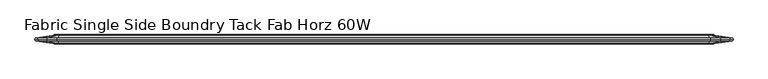
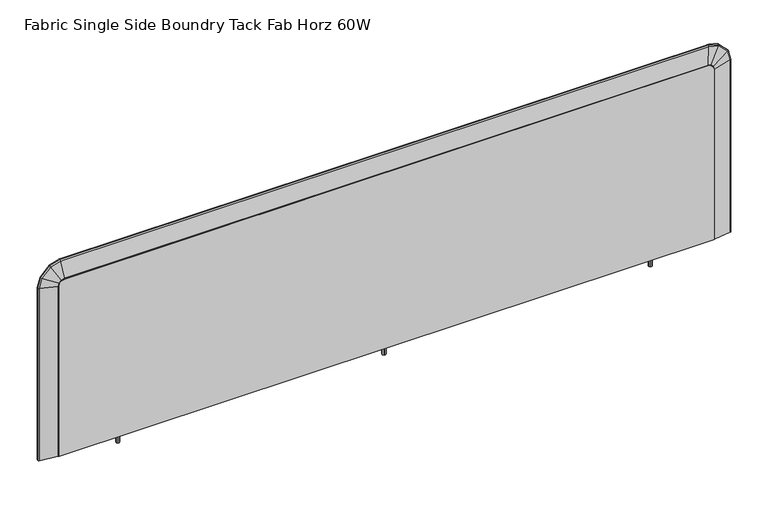
"""IFC4 building model written with IfcOpenShell, lengths in millimetres: furniture geometry, Fabric Single Side Boundry Tack Fab Horz 60W."""

from ifc_helpers import new_model, si_unit, frame, origin, place, context, project, spatial, polyline, circle_curve, ellipse_curve, outline, extrude, faceted_brep, source, transform, mapped, element, save
from ifc_brep_helpers import plane_surface, cylinder_surface, advanced_brep


def fabric_single_side_boundry_tack_fab_horz_60w_494233a1(model_context):
    return source(origin(), model_context, "Body", "SolidModel", [
        faceted_brep([(182.0608047, -24.5352982, 727.3148755), (182.0608047, -38.5848849, 727.3148755), (161.465212, -38.5848849, 727.3148755), (161.465212, -24.5352982, 727.3148755), (161.465212, -24.5352982, 721.056912), (182.0608047, -24.5352982, 721.056912), (161.465212, -38.5848849, 721.056912), (182.0608047, -38.5848849, 721.056912), (41.35374, -21.6312787, 721.056912), (41.35374, -21.6312787, 1111.5510233), (43.0552145, -21.6312787, 1117.9009991), (47.7037408, -21.6312787, 1122.5494799), (54.0537392, -21.6312787, 1124.2509748), (1451.0537158, -21.6312787, 1124.2509748), (1457.4036916, -21.6312787, 1122.5494799), (1462.052245, -21.6312787, 1117.9009991), (1463.75374, -21.6312787, 1111.5510233), (1463.75374, -21.6312787, 721.056912), (41.35374, -41.6655198, 721.056912), (1463.75374, -41.6655198, 721.056912), (1463.75374, -41.6655198, 1111.5510233), (1462.052245, -41.6655198, 1117.9009991), (1457.4036916, -41.6655198, 1122.5494799), (1451.0537158, -41.6655198, 1124.2509748), (54.0537392, -41.6655198, 1124.2509748), (47.7037408, -41.6655198, 1122.5494799), (43.0552145, -41.6655198, 1117.9009991), (41.35374, -41.6655198, 1111.5510233), (1343.4452878, -24.5352982, 721.056912), (1318.0744951, -24.5352982, 721.056912), (1318.0744951, -38.5848849, 721.056912), (1343.4452878, -38.5848849, 721.056912), (1318.0744951, -24.5352982, 727.3148755), (1343.4452878, -24.5352982, 727.3148755), (1343.4452878, -38.5848849, 727.3148755), (1318.0744951, -38.5848849, 727.3148755)], [[[0, 1, 2, 3]], [[0, 3, 4, 5]], [[3, 2, 6, 4]], [[2, 1, 7, 6]], [[1, 0, 5, 7]], [[8, 9, 10, 11, 12, 13, 14, 15, 16, 17]], [[18, 19, 20, 21, 22, 23, 24, 25, 26, 27]], [[9, 8, 18, 27]], [[10, 9, 27, 26]], [[11, 10, 26, 25]], [[12, 11, 25, 24]], [[13, 12, 24, 23]], [[14, 13, 23, 22]], [[15, 14, 22, 21]], [[16, 15, 21, 20]], [[17, 16, 20, 19]], [[8, 17, 19, 18], [5, 4, 6, 7], [28, 29, 30, 31]], [[32, 33, 34, 35]], [[33, 32, 29, 28]], [[34, 33, 28, 31]], [[35, 34, 31, 30]], [[32, 35, 30, 29]]]),
        extrude(outline(polyline([(1329.8115069, -27.7980412), (1332.8230782, -28.1945209), (1334.6722204, -30.6043713), (1334.2757329, -33.6159343), (1331.8658873, -35.4650775), (1328.854316, -35.0685977), (1327.0051738, -32.6587474), (1327.4016613, -29.6471844), (1329.8115069, -27.7980412)]), holes=[polyline([(1329.8826636, -28.0636008), (1327.6397553, -29.7846483), (1327.2707337, -32.5875912), (1328.9917799, -34.8305034), (1331.7947306, -35.1995178), (1334.0376389, -33.4784704), (1334.4066605, -30.6755274), (1332.6856143, -28.4326153), (1329.8826636, -28.0636008)])]), frame((0.0, 0.0, 700.99428), z_axis=(0.0, 0.0, 1.0), x_axis=(1.0, 0.0, 0.0)), (0.0, 0.0, 1.0), 26.3205955),
        extrude(outline(polyline([(173.0545058, -27.7980412), (176.0660771, -28.1945209), (177.9152193, -30.6043713), (177.5187318, -33.6159343), (175.1088862, -35.4650775), (172.0973149, -35.0685977), (170.2481727, -32.6587474), (170.6446602, -29.6471844), (173.0545058, -27.7980412)]), holes=[polyline([(173.1256625, -28.0636008), (170.8827542, -29.7846483), (170.5137326, -32.5875912), (172.2347788, -34.8305034), (175.0377295, -35.1995178), (177.2806378, -33.4784704), (177.6496594, -30.6755274), (175.9286132, -28.4326153), (173.1256625, -28.0636008)])]), frame((0.0, 0.0, 700.99428), z_axis=(0.0, 0.0, 1.0), x_axis=(1.0, 0.0, 0.0)), (0.0, 0.0, 1.0), 26.3205955),
        extrude(outline(polyline([(751.4280597, -27.7980412), (754.439631, -28.1945209), (756.2887732, -30.6043713), (755.8922858, -33.6159343), (753.4824401, -35.4650775), (750.4708689, -35.0685977), (748.6217266, -32.6587474), (749.0182141, -29.6471844), (751.4280597, -27.7980412)]), holes=[polyline([(751.4992164, -28.0636008), (749.2563081, -29.7846483), (748.8872866, -32.5875912), (750.6083327, -34.8305034), (753.4112834, -35.1995178), (755.6541917, -33.4784704), (756.0232133, -30.6755274), (754.3021672, -28.4326153), (751.4992164, -28.0636008)])]), frame((0.0, 0.0, 700.99428), z_axis=(0.0, 0.0, 1.0), x_axis=(1.0, 0.0, 0.0)), (0.0, 0.0, 1.0), 26.3205955),
        advanced_brep(
        [(41.35374, -40.3955198, 720.263162), (40.527722, -40.3955198, 720.263162), (39.2303702, -40.3003466, 720.263162), (2.1950955, -34.8371601, 720.263162), (0.2344281, -32.1683735, 720.263162), (1.4359994, -31.9712076, 720.263162), (0.2308623, -31.6483991, 720.263162), (2.1917528, -29.0070421, 720.263162), (39.1963882, -23.5483754, 720.263162), (40.4937399, -23.4532022, 720.263162), (41.35374, -23.4532022, 720.263162), (1463.75374, -40.3955198, 720.263162), (1463.75374, -23.4532022, 720.263162), (1464.6137401, -23.4532022, 720.263162), (1465.9110918, -23.5483754, 720.263162), (1502.9157272, -29.0070421, 720.263162), (1504.8766177, -31.6483991, 720.263162), (1503.6714806, -31.9712076, 720.263162), (1504.8730519, -32.1683735, 720.263162), (1502.9123845, -34.8371601, 720.263162), (1465.8771098, -40.3003466, 720.263162), (1464.579758, -40.3955198, 720.263162), (1463.75374, -40.3955198, 1110.7572733), (1463.75374, -23.4532022, 1110.7572733), (1462.052245, -23.4532022, 1117.1072491), (1457.4036916, -23.4532022, 1121.7557299), (1451.0537158, -23.4532022, 1123.4572248), (54.0537392, -23.4532022, 1123.4572248), (47.7037408, -23.4532022, 1121.7557299), (43.0552145, -23.4532022, 1117.1072491), (41.35374, -23.4532022, 1110.7572733), (40.4937399, -23.4532022, 1110.8704947), (42.2841603, -23.4532022, 1117.5524202), (47.2585733, -23.4532022, 1122.5267846), (53.9405169, -23.4532022, 1124.3172249), (1451.1669385, -23.4532022, 1124.3172249), (1457.848858, -23.4532022, 1122.5267846), (1462.8232979, -23.4532022, 1117.5524225), (1464.6137401, -23.4532022, 1110.870496), (1465.9110918, -23.5483754, 1111.0412979), (1502.9157272, -29.0070421, 1115.9131172), (1504.8766177, -31.6483991, 1116.1712769), (1503.6714806, -31.9712076, 1116.0126154), (1504.8730519, -32.1683735, 1116.1708075), (1502.9123845, -34.8371601, 1115.9126772), (1465.8771098, -40.3003466, 1111.036824), (1464.579758, -40.3955198, 1110.8660221), (1462.7928305, -40.3955198, 1117.5348319), (1457.8312677, -40.3955198, 1122.4963171), (1451.1624646, -40.3955198, 1124.2832429), (53.9449908, -40.3955198, 1124.2832429), (47.2761636, -40.3955198, 1122.4963171), (42.3146278, -40.3955198, 1117.5348297), (40.527722, -40.3955198, 1110.8660209), (41.35374, -40.3955198, 1110.7572733), (43.0552145, -40.3955198, 1117.1072491), (47.7037408, -40.3955198, 1121.7557299), (54.0537392, -40.3955198, 1123.4572248), (1451.0537158, -40.3955198, 1123.4572248), (1457.4036916, -40.3955198, 1121.7557299), (1462.052245, -40.3955198, 1117.1072491), (1463.9864685, -23.5483754, 1118.2239882), (1497.1638272, -29.0070421, 1137.3791963), (1498.9219087, -31.6483991, 1138.3942385), (1497.8414153, -31.9712076, 1137.7704072), (1498.9187118, -32.1683735, 1138.3923927), (1497.1608302, -34.8371601, 1137.377466), (1463.9560011, -40.3003466, 1118.2063976), (1458.5204132, -23.5483754, 1123.689958), (1477.6753219, -29.0070421, 1156.8673969), (1478.6903482, -31.6483991, 1158.6254827), (1478.0665266, -31.9712076, 1157.5449867), (1478.6885024, -32.1683735, 1158.6222858), (1477.6735916, -34.8371601, 1156.8643999), (1458.5028229, -40.3003466, 1123.6594906), (1451.3377404, -23.5483754, 1125.6145767), (1456.2095597, -29.0070421, 1162.619212), (1456.4677194, -31.6483991, 1164.5801025), (1456.3090579, -31.9712076, 1163.3749655), (1456.46725, -32.1683735, 1164.5765368), (1456.2091197, -34.8371601, 1162.6158693), (1451.3332665, -40.3003466, 1125.5805946), (53.7697156, -23.5483754, 1125.6145767), (48.8979131, -29.0070421, 1162.619212), (48.6397543, -31.6483991, 1164.5801025), (48.7984152, -31.9712076, 1163.3749655), (48.6402238, -32.1683735, 1164.5765368), (48.8983532, -34.8371601, 1162.6158693), (53.7741895, -40.3003466, 1125.5805946), (46.5870166, -23.5483754, 1123.6899579), (27.4320643, -29.0070421, 1156.8673943), (26.4170356, -31.6483991, 1158.62548), (27.0408586, -31.9712076, 1157.544984), (26.4188814, -32.1683735, 1158.622283), (27.4337946, -34.8371601, 1156.8643973), (46.6046069, -40.3003466, 1123.6594904), (41.1209877, -23.5483754, 1118.2239824), (7.9435719, -29.0070421, 1137.3790923), (6.1854873, -31.6483991, 1138.3941293), (7.2659826, -31.9712076, 1137.7703012), (6.1886843, -32.1683735, 1138.3922835), (7.9465689, -34.8371601, 1137.377362), (41.1514552, -40.3003466, 1118.2063919), (39.1963882, -23.5483754, 1111.0412946), (2.1917528, -29.0070421, 1115.9130574), (0.2308623, -31.6483991, 1116.1712141), (1.4359994, -31.9712076, 1116.0125545), (0.2344281, -32.1683735, 1116.1707447), (2.1950955, -34.8371601, 1115.9126174), (39.2303702, -40.3003466, 1111.0368208)],
        [
            (0, 1),
            (1, 2, circle_curve(frame((40.527722, -31.5055198, 720.263162), z_axis=(0.0, 0.0, -1.0), x_axis=(1.0, 0.0, 0.0)), 8.89)),
            (2, 3),
            (3, 4, circle_curve(frame((2.5350157, -32.5328209, 720.263162), z_axis=(0.0, 0.0, -1.0), x_axis=(1.0, 0.0, 0.0)), 2.3292757)),
            (4, 5),
            (5, 6),
            (6, 7, circle_curve(frame((2.5311018, -31.3075093, 720.263162), z_axis=(0.0, 0.0, -1.0), x_axis=(1.0, 0.0, 0.0)), 2.3253618)),
            (7, 8),
            (8, 9, circle_curve(frame((40.4937399, -32.3432022, 720.263162), z_axis=(0.0, 0.0, -1.0), x_axis=(1.0, 0.0, 0.0)), 8.89)),
            (9, 10),
            (10, 0),
            (11, 12),
            (12, 13),
            (13, 14, circle_curve(frame((1464.6137401, -32.3432022, 720.263162), z_axis=(0.0, 0.0, -1.0), x_axis=(-1.0, 0.0, 0.0)), 8.89)),
            (14, 15),
            (15, 16, circle_curve(frame((1502.5763782, -31.3075093, 720.263162), z_axis=(0.0, 0.0, -1.0), x_axis=(-1.0, 0.0, 0.0)), 2.3253618)),
            (16, 17),
            (17, 18),
            (18, 19, circle_curve(frame((1502.5724643, -32.5328209, 720.263162), z_axis=(0.0, 0.0, -1.0), x_axis=(-1.0, 0.0, 0.0)), 2.3292757)),
            (19, 20),
            (20, 21, circle_curve(frame((1464.579758, -31.5055198, 720.263162), z_axis=(0.0, 0.0, -1.0), x_axis=(-1.0, 0.0, 0.0)), 8.89)),
            (21, 11),
            (11, 22),
            (22, 23),
            (23, 12),
            (23, 24),
            (24, 25),
            (25, 26),
            (26, 27),
            (27, 28),
            (28, 29),
            (29, 30),
            (30, 10),
            (9, 31),
            (31, 32),
            (32, 33),
            (33, 34),
            (34, 35),
            (35, 36),
            (36, 37),
            (37, 38),
            (38, 13),
            (38, 39, ellipse_curve(frame((1464.6137401, -32.3432022, 1110.870496), z_axis=(0.1305279474874437, 0.0, -0.9914446302868937), x_axis=(-0.9914446302868937, 0.0, -0.13052794748744298)), 8.9667135, 8.89)),
            (39, 14),
            (39, 40),
            (40, 15),
            (40, 41, ellipse_curve(frame((1502.5763782, -31.3075093, 1115.8684405), z_axis=(0.1305279474874437, 0.0, -0.9914446302868937), x_axis=(-0.9914446302868937, 0.0, -0.13052794748744298)), 2.3454278, 2.3253618)),
            (41, 16),
            (41, 42),
            (42, 17),
            (42, 43),
            (43, 18),
            (43, 44, ellipse_curve(frame((1502.5724643, -32.5328209, 1115.8679252), z_axis=(0.1305279474874437, 0.0, -0.9914446302868937), x_axis=(-0.9914446302868937, 0.0, -0.13052794748744298)), 2.3493754, 2.3292757)),
            (44, 19),
            (44, 45),
            (45, 20),
            (45, 46, ellipse_curve(frame((1464.579758, -31.5055198, 1110.8660221), z_axis=(0.1305279474874437, 0.0, -0.9914446302868937), x_axis=(-0.9914446302868937, 0.0, -0.13052794748744298)), 8.9667135, 8.89)),
            (46, 21),
            (46, 47),
            (47, 48),
            (48, 49),
            (49, 50),
            (50, 51),
            (51, 52),
            (52, 53),
            (53, 1),
            (0, 54),
            (54, 55),
            (55, 56),
            (56, 57),
            (57, 58),
            (58, 59),
            (59, 60),
            (60, 22),
            (60, 24),
            (37, 61, ellipse_curve(frame((1462.8232979, -32.3432022, 1117.5524225), z_axis=(0.5000049178456961, 0.0, -0.8660225644462844), x_axis=(-0.8660225644462847, 0.0, -0.5000049178456953)), 9.2036105, 8.89)),
            (61, 39),
            (61, 62),
            (62, 40),
            (62, 63, ellipse_curve(frame((1496.859576, -31.3075093, 1137.2035345), z_axis=(0.5000049178456961, 0.0, -0.8660225644462844), x_axis=(-0.8660225644462847, 0.0, -0.5000049178456953)), 2.407393, 2.3253618)),
            (63, 41),
            (63, 64),
            (64, 42),
            (64, 65),
            (65, 43),
            (65, 66, ellipse_curve(frame((1496.856067, -32.5328209, 1137.2015086), z_axis=(0.5000049178456961, 0.0, -0.8660225644462844), x_axis=(-0.8660225644462847, 0.0, -0.5000049178456953)), 2.411445, 2.3292757)),
            (66, 44),
            (66, 67),
            (67, 45),
            (67, 47, ellipse_curve(frame((1462.7928305, -31.5055198, 1117.5348319), z_axis=(0.5000049178456961, 0.0, -0.8660225644462844), x_axis=(-0.8660225644462847, 0.0, -0.5000049178456953)), 9.2036105, 8.89)),
            (59, 25),
            (36, 68, ellipse_curve(frame((1457.848858, -32.3432022, 1122.5267846), z_axis=(0.8660264726880769, 0.0, -0.4999981486000199), x_axis=(-0.49999814860001957, 0.0, -0.8660264726880771)), 9.2035912, 8.89)),
            (68, 61),
            (68, 69),
            (69, 62),
            (69, 70, ellipse_curve(frame((1477.4996629, -31.3075093, 1156.5631451), z_axis=(0.8660264726880769, 0.0, -0.4999981486000199), x_axis=(-0.49999814860001957, 0.0, -0.8660264726880771)), 2.407388, 2.3253618)),
            (70, 63),
            (70, 71),
            (71, 64),
            (71, 72),
            (72, 65),
            (72, 73, ellipse_curve(frame((1477.4976369, -32.5328209, 1156.559636), z_axis=(0.8660264726880769, 0.0, -0.4999981486000199), x_axis=(-0.49999814860001957, 0.0, -0.8660264726880771)), 2.4114399, 2.3292757)),
            (73, 66),
            (73, 74),
            (74, 67),
            (74, 48, ellipse_curve(frame((1457.8312677, -31.5055198, 1122.4963171), z_axis=(0.8660264726880769, 0.0, -0.4999981486000199), x_axis=(-0.49999814860001957, 0.0, -0.8660264726880771)), 9.2035912, 8.89)),
            (58, 26),
            (35, 75, ellipse_curve(frame((1451.1669385, -32.3432022, 1124.3172249), z_axis=(0.9914446302856296, 0.0, -0.1305279474970452), x_axis=(-0.13052794749704538, 0.0, -0.9914446302856295)), 8.9667135, 8.89)),
            (75, 68),
            (75, 76),
            (76, 69),
            (76, 77, ellipse_curve(frame((1456.164883, -31.3075093, 1162.2798631), z_axis=(0.9914446302856296, 0.0, -0.1305279474970452), x_axis=(-0.13052794749704538, 0.0, -0.9914446302856295)), 2.3454278, 2.3253618)),
            (77, 70),
            (77, 78),
            (78, 71),
            (78, 79),
            (79, 72),
            (79, 80, ellipse_curve(frame((1456.1643677, -32.5328209, 1162.2759492), z_axis=(0.9914446302856296, 0.0, -0.1305279474970452), x_axis=(-0.13052794749704538, 0.0, -0.9914446302856295)), 2.3493754, 2.3292757)),
            (80, 73),
            (80, 81),
            (81, 74),
            (81, 49, ellipse_curve(frame((1451.1624646, -31.5055198, 1124.2832429), z_axis=(0.9914446302856296, 0.0, -0.1305279474970452), x_axis=(-0.13052794749704538, 0.0, -0.9914446302856295)), 8.9667135, 8.89)),
            (57, 27),
            (34, 82, ellipse_curve(frame((53.9405169, -32.3432022, 1124.3172249), z_axis=(0.9914446886366662, 0.0, 0.13052750428221627), x_axis=(0.13052750428221643, 0.0, -0.9914446886366662)), 8.966713, 8.89)),
            (82, 75),
            (82, 83),
            (83, 76),
            (83, 84, ellipse_curve(frame((48.9425897, -31.3075093, 1162.2798631), z_axis=(0.9914446886366662, 0.0, 0.13052750428221627), x_axis=(0.13052750428221643, 0.0, -0.9914446886366662)), 2.3454276, 2.3253618)),
            (84, 77),
            (84, 85),
            (85, 78),
            (85, 86),
            (86, 79),
            (86, 87, ellipse_curve(frame((48.943105, -32.5328209, 1162.2759492), z_axis=(0.9914446886366662, 0.0, 0.13052750428221627), x_axis=(0.13052750428221643, 0.0, -0.9914446886366662)), 2.3493753, 2.3292757)),
            (87, 80),
            (87, 88),
            (88, 81),
            (88, 50, ellipse_curve(frame((53.9449908, -31.5055198, 1124.2832429), z_axis=(0.9914446886366662, 0.0, 0.13052750428221627), x_axis=(0.13052750428221643, 0.0, -0.9914446886366662)), 8.966713, 8.89)),
            (56, 28),
            (33, 89, ellipse_curve(frame((47.2585733, -32.3432022, 1122.5267846), z_axis=(0.8660259634188125, 0.0, 0.49999903068357804), x_axis=(0.49999903068357804, 0.0, -0.8660259634188127)), 9.203596, 8.89)),
            (89, 82),
            (89, 90),
            (90, 83),
            (90, 91, ellipse_curve(frame((27.6077237, -31.3075093, 1156.5631424), z_axis=(0.8660259634188125, 0.0, 0.49999903068357804), x_axis=(0.49999903068357804, 0.0, -0.8660259634188127)), 2.4073892, 2.3253618)),
            (91, 84),
            (91, 92),
            (92, 85),
            (92, 93),
            (93, 86),
            (93, 94, ellipse_curve(frame((27.6097497, -32.5328209, 1156.5596333), z_axis=(0.8660259634188125, 0.0, 0.49999903068357804), x_axis=(0.49999903068357804, 0.0, -0.8660259634188127)), 2.4114412, 2.3292757)),
            (94, 87),
            (94, 95),
            (95, 88),
            (95, 51, ellipse_curve(frame((47.2761636, -31.5055198, 1122.4963171), z_axis=(0.8660259634188125, 0.0, 0.49999903068357804), x_axis=(0.49999903068357804, 0.0, -0.8660259634188127)), 9.203596, 8.89)),
            (55, 29),
            (32, 96, ellipse_curve(frame((42.2841603, -32.3432022, 1117.5524202), z_axis=(0.5000023482671837, 0.0, 0.8660240480075031), x_axis=(0.8660240480075027, 0.0, -0.5000023482671845)), 9.2036106, 8.89)),
            (96, 89),
            (96, 97),
            (97, 90),
            (97, 98, ellipse_curve(frame((8.2478236, -31.3075093, 1137.2034315), z_axis=(0.5000023482671837, 0.0, 0.8660240480075031), x_axis=(0.8660240480075027, 0.0, -0.5000023482671845)), 2.4073931, 2.3253618)),
            (98, 91),
            (98, 99),
            (99, 92),
            (99, 100),
            (100, 93),
            (100, 101, ellipse_curve(frame((8.2513326, -32.5328209, 1137.2014055), z_axis=(0.5000023482671837, 0.0, 0.8660240480075031), x_axis=(0.8660240480075027, 0.0, -0.5000023482671845)), 2.411445, 2.3292757)),
            (101, 94),
            (101, 102),
            (102, 95),
            (102, 52, ellipse_curve(frame((42.3146278, -31.5055198, 1117.5348297), z_axis=(0.5000023482671837, 0.0, 0.8660240480075031), x_axis=(0.8660240480075027, 0.0, -0.5000023482671845)), 9.2036106, 8.89)),
            (54, 30),
            (31, 103, ellipse_curve(frame((40.4937399, -32.3432022, 1110.8704947), z_axis=(0.13052645881328268, 0.0, 0.9914448262761093), x_axis=(0.9914448262761093, 0.0, -0.13052645881328304)), 8.9667118, 8.89)),
            (103, 96),
            (103, 104),
            (104, 97),
            (104, 105, ellipse_curve(frame((2.5311018, -31.3075093, 1115.8683812), z_axis=(0.13052645881328268, 0.0, 0.9914448262761093), x_axis=(0.9914448262761093, 0.0, -0.13052645881328304)), 2.3454273, 2.3253618)),
            (105, 98),
            (105, 106),
            (106, 99),
            (106, 107),
            (107, 100),
            (107, 108, ellipse_curve(frame((2.5350157, -32.5328209, 1115.8678659), z_axis=(0.13052645881328268, 0.0, 0.9914448262761093), x_axis=(0.9914448262761093, 0.0, -0.13052645881328304)), 2.349375, 2.3292757)),
            (108, 101),
            (108, 109),
            (109, 102),
            (109, 53, ellipse_curve(frame((40.527722, -31.5055198, 1110.8660209), z_axis=(0.13052645881328268, 0.0, 0.9914448262761093), x_axis=(0.9914448262761093, 0.0, -0.13052645881328304)), 8.9667118, 8.89)),
            (8, 103),
            (7, 104),
            (6, 105),
            (5, 106),
            (4, 107),
            (3, 108),
            (2, 109),
        ],
        [
            plane_surface(frame((41.35374, -22.3842497, 720.263162), z_axis=(0.0, 0.0, -1.0), x_axis=(0.0, -1.0, 0.0))),
            plane_surface(frame((1463.75374, -22.3842497, 720.263162), z_axis=(0.0, 0.0, -1.0), x_axis=(0.0, -1.0, 0.0))),
            plane_surface(frame((1463.75374, -40.3955198, 720.263162), z_axis=(-1.0, 0.0, 0.0), x_axis=(0.0, 0.0, 1.0))),
            plane_surface(frame((1463.75374, -23.4532022, 720.263162), z_axis=(0.0, 1.0, 0.0), x_axis=(0.0, 0.0, 1.0))),
            cylinder_surface(frame((1464.6137401, -32.3432022, 720.263162), z_axis=(0.0, 0.0, -1.0), x_axis=(-1.0, 0.0, 0.0)), 8.89),
            plane_surface(frame((1465.9110918, -23.5483754, 720.263162), z_axis=(0.14593382959754853, 0.989294353253365, 0.0), x_axis=(0.0, 0.0, 1.0))),
            cylinder_surface(frame((1502.5763782, -31.3075093, 720.263162), z_axis=(0.0, 0.0, -1.0), x_axis=(-1.0, 0.0, 0.0)), 2.3253618),
            plane_surface(frame((1504.8766177, -31.6483991, 720.263162), z_axis=(0.2587390196457306, -0.9659472654926698, 0.0), x_axis=(0.0, 0.0, 1.0))),
            plane_surface(frame((1503.6714806, -31.9712076, 720.263162), z_axis=(0.1619245654582498, 0.9868031389801905, 0.0), x_axis=(0.0, 0.0, 1.0))),
            cylinder_surface(frame((1502.5724643, -32.5328209, 720.263162), z_axis=(0.0, 0.0, -1.0), x_axis=(-1.0, 0.0, 0.0)), 2.3292757),
            plane_surface(frame((1502.9123845, -34.8371601, 720.263162), z_axis=(0.14593382959753973, -0.9892943532533662, 0.0), x_axis=(0.0, 0.0, 1.0))),
            cylinder_surface(frame((1464.579758, -31.5055198, 720.263162), z_axis=(0.0, 0.0, -1.0), x_axis=(-1.0, 0.0, 0.0)), 8.89),
            plane_surface(frame((1464.579758, -40.3955198, 720.263162), z_axis=(0.0, -1.0, 0.0), x_axis=(0.0, 0.0, 1.0))),
            plane_surface(frame((1463.75374, -40.3955198, 1110.7572733), z_axis=(-0.9659249098494304, 0.0, -0.2588224652775913), x_axis=(-0.2588224652775913, 0.0, 0.9659249098494304))),
            cylinder_surface(frame((1464.5844355, -32.3432022, 1110.9798606), z_axis=(0.25882246527759134, 0.0, -0.9659249098494304), x_axis=(-0.9659249098494304, 0.0, -0.25882246527759134)), 8.89),
            plane_surface(frame((1465.9110918, -23.5483754, 1111.0412979), z_axis=(0.14096112119799525, 0.989294353253365, 0.03777095354383497), x_axis=(-0.2588224652775663, 0.0, 0.965924909849437))),
            cylinder_surface(frame((1501.2534933, -31.3075093, 1120.8054442), z_axis=(0.25882246527759134, 0.0, -0.9659249098494304), x_axis=(-0.9659249098494304, 0.0, -0.25882246527759134)), 2.3253618),
            plane_surface(frame((1504.8766177, -31.6483991, 1116.1712769), z_axis=(0.24992246422583178, -0.9659472654926701, 0.06696747092821555), x_axis=(-0.25882246527759867, 0.0, 0.9659249098494284))),
            plane_surface(frame((1503.6714806, -31.9712076, 1116.0126154), z_axis=(0.1564069712926683, 0.9868031389801903, 0.04190971522090765), x_axis=(-0.2588224652775864, 0.0, 0.9659249098494317))),
            cylinder_surface(frame((1501.2497128, -32.5328209, 1120.8044312), z_axis=(0.25882246527759134, 0.0, -0.9659249098494304), x_axis=(-0.9659249098494304, 0.0, -0.25882246527759134)), 2.3292757),
            plane_surface(frame((1502.9123845, -34.8371601, 1115.9126772), z_axis=(0.14096112119798532, -0.9892943532533665, 0.03777095354383505), x_axis=(-0.2588224652776013, 0.0, 0.9659249098494277))),
            cylinder_surface(frame((1464.5516114, -31.5055198, 1110.9710653), z_axis=(0.25882246527759134, 0.0, -0.9659249098494304), x_axis=(-0.9659249098494304, 0.0, -0.25882246527759134)), 8.89),
            plane_surface(frame((1462.052245, -40.3955198, 1117.1072491), z_axis=(-0.707101254086499, 0.0, -0.7071123082433939), x_axis=(-0.7071123082433939, 0.0, 0.707101254086499))),
            cylinder_surface(frame((1462.6603522, -32.3432022, 1117.7153657), z_axis=(0.7071123082433939, 0.0, -0.707101254086499), x_axis=(-0.707101254086499, 0.0, -0.7071123082433939)), 8.89),
            plane_surface(frame((1463.9864685, -23.5483754, 1118.2239882), z_axis=(0.10318999392206839, 0.9892943532533649, 0.1031916070975258), x_axis=(-0.7071123082434186, 0.0, 0.7071012540864742))),
            cylinder_surface(frame((1489.5037812, -31.3075093, 1144.5592144), z_axis=(0.7071123082433939, 0.0, -0.707101254086499), x_axis=(-0.707101254086499, 0.0, -0.7071123082433939)), 2.3253618),
            plane_surface(frame((1498.9219087, -31.6483991, 1138.3942385), z_axis=(0.1829546852726068, -0.96594726549267, 0.1829575454143244), x_axis=(-0.7071123082433954, 0.0, 0.7071012540864974))),
            plane_surface(frame((1497.8414153, -31.9712076, 1137.7704072), z_axis=(0.11449706330293936, 0.9868031389801903, 0.11449885324249356), x_axis=(-0.7071123082433963, 0.0, 0.7071012540864965))),
            cylinder_surface(frame((1489.5010137, -32.5328209, 1144.5564468), z_axis=(0.7071123082433939, 0.0, -0.707101254086499), x_axis=(-0.707101254086499, 0.0, -0.7071123082433939)), 2.3292757),
            plane_surface(frame((1497.1608302, -34.8371601, 1137.377466), z_axis=(0.10318999392206524, -0.9892943532533665, 0.10319160709751343), x_axis=(-0.7071123082433982, 0.0, 0.7071012540864946))),
            cylinder_surface(frame((1462.6363234, -31.5055198, 1117.6913366), z_axis=(0.7071123082433939, 0.0, -0.707101254086499), x_axis=(-0.707101254086499, 0.0, -0.7071123082433939)), 8.89),
            plane_surface(frame((1457.4036916, -40.3955198, 1121.7557299), z_axis=(-0.2588224652963092, 0.0, -0.9659249098444148), x_axis=(-0.9659249098444148, 0.0, 0.2588224652963092))),
            cylinder_surface(frame((1457.6262789, -32.3432022, 1122.5864254), z_axis=(0.9659249098444174, 0.0, -0.2588224652963002), x_axis=(-0.2588224652963002, 0.0, -0.9659249098444174)), 8.89),
            plane_surface(frame((1458.5204132, -23.5483754, 1123.689958), z_axis=(0.03777095354656809, 0.9892943532533648, 0.14096112119726395), x_axis=(-0.9659249098444171, 0.0, 0.25882246529630043))),
            cylinder_surface(frame((1467.4518625, -31.3075093, 1159.2554832), z_axis=(0.9659249098444174, 0.0, -0.2588224652963002), x_axis=(-0.2588224652963002, 0.0, -0.9659249098444174)), 2.3253618),
            plane_surface(frame((1478.6903482, -31.6483991, 1158.6254827), z_axis=(0.06696747093305606, -0.9659472654926703, 0.2499224642245338), x_axis=(-0.9659249098444167, 0.0, 0.2588224652963024))),
            plane_surface(frame((1478.0665266, -31.9712076, 1157.5449867), z_axis=(0.04190971522393755, 0.9868031389801902, 0.15640697129185754), x_axis=(-0.9659249098444158, 0.0, 0.2588224652963053))),
            cylinder_surface(frame((1467.4508495, -32.5328209, 1159.2517027), z_axis=(0.9659249098444174, 0.0, -0.2588224652963002), x_axis=(-0.2588224652963002, 0.0, -0.9659249098444174)), 2.3292757),
            plane_surface(frame((1477.6735916, -34.8371601, 1156.8643999), z_axis=(0.03777095354656481, -0.9892943532533666, 0.14096112119725285), x_axis=(-0.9659249098444177, 0.0, 0.25882246529629854))),
            cylinder_surface(frame((1457.6174836, -31.5055198, 1122.5536012), z_axis=(0.9659249098444174, 0.0, -0.2588224652963002), x_axis=(-0.2588224652963002, 0.0, -0.9659249098444174)), 8.89),
            plane_surface(frame((1451.0537158, -40.3955198, 1123.4572248), z_axis=(0.0, 0.0, -1.0), x_axis=(-1.0, 0.0, 0.0))),
            cylinder_surface(frame((1451.0537158, -32.3432022, 1124.3172249), z_axis=(1.0, 0.0, 0.0), x_axis=(0.0, 0.0, -1.0)), 8.89),
            plane_surface(frame((1451.3377404, -23.5483754, 1125.6145767), z_axis=(0.0, 0.9892943532533648, 0.1459338295975499), x_axis=(-1.0, 0.0, 0.0))),
            cylinder_surface(frame((1451.0537158, -31.3075093, 1162.2798631), z_axis=(1.0, 0.0, 0.0), x_axis=(0.0, 0.0, -1.0)), 2.3253618),
            plane_surface(frame((1456.4677194, -31.6483991, 1164.5801025), z_axis=(0.0, -0.9659472654926702, 0.25873901964572915), x_axis=(-1.0, 0.0, 0.0))),
            plane_surface(frame((1456.3090579, -31.9712076, 1163.3749655), z_axis=(0.0, 0.9868031389801902, 0.16192456545825118), x_axis=(-1.0, 0.0, 0.0))),
            cylinder_surface(frame((1451.0537158, -32.5328209, 1162.2759492), z_axis=(1.0, 0.0, 0.0), x_axis=(0.0, 0.0, -1.0)), 2.3292757),
            plane_surface(frame((1456.2091197, -34.8371601, 1162.6158693), z_axis=(0.0, -0.9892943532533665, 0.14593382959753828), x_axis=(-1.0, 0.0, 0.0))),
            cylinder_surface(frame((1451.0537158, -31.5055198, 1124.2832429), z_axis=(1.0, 0.0, 0.0), x_axis=(0.0, 0.0, -1.0)), 8.89),
            plane_surface(frame((54.0537392, -40.3955198, 1123.4572248), z_axis=(0.2588216016832134, 0.0, -0.9659251412517101), x_axis=(-0.9659251412517101, 0.0, -0.2588216016832134))),
            cylinder_surface(frame((53.8311526, -32.3432022, 1124.2879206), z_axis=(0.9659251412517121, 0.0, 0.2588216016832059), x_axis=(0.2588216016832059, 0.0, -0.9659251412517121)), 8.89),
            plane_surface(frame((53.7697156, -23.5483754, 1125.6145767), z_axis=(-0.037770827516201026, 0.9892943532533648, 0.14096115496741693), x_axis=(-0.9659251412517137, 0.0, -0.25882160168319984))),
            cylinder_surface(frame((44.0056018, -31.3075093, 1160.9569872), z_axis=(0.9659251412517121, 0.0, 0.2588216016832059), x_axis=(0.2588216016832059, 0.0, -0.9659251412517121)), 2.3253618),
            plane_surface(frame((48.6397543, -31.6483991, 1164.5801025), z_axis=(-0.06696724748265018, -0.9659472654926702, 0.24992252409863033), x_axis=(-0.9659251412517119, 0.0, -0.2588216016832063))),
            plane_surface(frame((48.7984152, -31.9712076, 1163.3749655), z_axis=(-0.0419095753837623, 0.9868031389801903, 0.1564070087623832), x_axis=(-0.9659251412517111, 0.0, -0.2588216016832097))),
            cylinder_surface(frame((44.0066148, -32.5328209, 1160.9532066), z_axis=(0.9659251412517121, 0.0, 0.2588216016832059), x_axis=(0.2588216016832059, 0.0, -0.9659251412517121)), 2.3292757),
            plane_surface(frame((48.8983532, -34.8371601, 1162.6158693), z_axis=(-0.03777082751619946, -0.9892943532533666, 0.14096115496740527), x_axis=(-0.9659251412517111, 0.0, -0.2588216016832098))),
            cylinder_surface(frame((53.8399479, -31.5055198, 1124.2550964), z_axis=(0.9659251412517121, 0.0, 0.2588216016832059), x_axis=(0.2588216016832059, 0.0, -0.9659251412517121)), 8.89),
            plane_surface(frame((47.7037408, -40.3955198, 1121.7557299), z_axis=(0.707103326743919, 0.0, -0.7071102356123002), x_axis=(-0.7071102356123002, 0.0, -0.707103326743919))),
            cylinder_surface(frame((47.0956318, -32.3432022, 1122.3638447), z_axis=(0.7071102356123058, 0.0, 0.7071033267439134), x_axis=(0.7071033267439134, 0.0, -0.7071102356123058)), 8.89),
            plane_surface(frame((46.5870166, -23.5483754, 1123.6899579), z_axis=(-0.10319029639290589, 0.9892943532533649, 0.1031913046305302), x_axis=(-0.7071102356123061, 0.0, -0.7071033267439131))),
            cylinder_surface(frame((20.2521241, -31.3075093, 1149.2076147), z_axis=(0.7071102356123058, 0.0, 0.7071033267439134), x_axis=(0.7071033267439134, 0.0, -0.7071102356123058)), 2.3253618),
            plane_surface(frame((26.4170356, -31.6483991, 1158.62548), z_axis=(-0.18295522154995492, -0.9659472654926703, 0.18295700914378804), x_axis=(-0.7071102356123058, 0.0, -0.7071033267439134))),
            plane_surface(frame((27.0408586, -31.9712076, 1157.544984), z_axis=(-0.11449739891709115, 0.9868031389801903, 0.11449851763260457), x_axis=(-0.7071102356123029, 0.0, -0.7071033267439163))),
            cylinder_surface(frame((20.2548916, -32.5328209, 1149.2048472), z_axis=(0.7071102356123058, 0.0, 0.7071033267439134), x_axis=(0.7071033267439134, 0.0, -0.7071102356123058)), 2.3292757),
            plane_surface(frame((27.4337946, -34.8371601, 1156.8643973), z_axis=(-0.10319029639289963, -0.9892943532533665, 0.10319130463052095), x_axis=(-0.707110235612307, 0.0, -0.7071033267439122))),
            cylinder_surface(frame((47.1196607, -31.5055198, 1122.3398157), z_axis=(0.7071102356123058, 0.0, 0.7071033267439134), x_axis=(0.7071033267439134, 0.0, -0.7071102356123058)), 8.89),
            plane_surface(frame((43.0552145, -40.3955198, 1117.1072491), z_axis=(0.9659256870993269, 0.0, -0.25881956456514876), x_axis=(-0.25881956456514876, 0.0, -0.9659256870993269))),
            cylinder_surface(frame((42.2245184, -32.3432022, 1117.3298339), z_axis=(0.25881956456514177, 0.0, 0.9659256870993289), x_axis=(0.9659256870993289, 0.0, -0.25881956456514177)), 8.89),
            plane_surface(frame((41.1209877, -23.5483754, 1118.2239824), z_axis=(-0.14096123462504867, 0.989294353253365, 0.03777053023176177), x_axis=(-0.25881956456513816, 0.0, -0.9659256870993298))),
            cylinder_surface(frame((5.555431, -31.3075093, 1127.1553074), z_axis=(0.25881956456514177, 0.0, 0.9659256870993289), x_axis=(0.9659256870993289, 0.0, -0.25881956456514177)), 2.3253618),
            plane_surface(frame((6.1854873, -31.6483991, 1138.3941293), z_axis=(-0.24992266533070875, -0.96594726549267, 0.06696672040071887), x_axis=(-0.25881956456514454, 0.0, -0.9659256870993281))),
            plane_surface(frame((7.2659826, -31.9712076, 1137.7703012), z_axis=(-0.15640709714852022, 0.9868031389801905, 0.041909245524305375), x_axis=(-0.25881956456514293, 0.0, -0.9659256870993285))),
            cylinder_surface(frame((5.5592116, -32.5328209, 1127.1542944), z_axis=(0.25881956456514177, 0.0, 0.9659256870993289), x_axis=(0.9659256870993289, 0.0, -0.25881956456514177)), 2.3292757),
            plane_surface(frame((7.9465689, -34.8371601, 1137.377362), z_axis=(-0.14096123462503984, -0.9892943532533663, 0.037770530231757304), x_axis=(-0.2588195645651396, 0.0, -0.9659256870993294))),
            cylinder_surface(frame((42.2573425, -31.5055198, 1117.3210387), z_axis=(0.25881956456514177, 0.0, 0.9659256870993289), x_axis=(0.9659256870993289, 0.0, -0.25881956456514177)), 8.89),
            plane_surface(frame((41.35374, -40.3955198, 1110.7572733), z_axis=(1.0, 0.0, 0.0), x_axis=(0.0, 0.0, -1.0))),
            cylinder_surface(frame((40.4937399, -32.3432022, 1110.7572733), z_axis=(0.0, 0.0, 1.0), x_axis=(1.0, 0.0, 0.0)), 8.89),
            plane_surface(frame((39.1963882, -23.5483754, 1111.0412946), z_axis=(-0.14593382959754853, 0.989294353253365, 0.0), x_axis=(0.0, 0.0, -1.0))),
            cylinder_surface(frame((2.5311018, -31.3075093, 1110.7572733), z_axis=(0.0, 0.0, 1.0), x_axis=(1.0, 0.0, 0.0)), 2.3253618),
            plane_surface(frame((0.2308623, -31.6483991, 1116.1712141), z_axis=(-0.2587390196457306, -0.9659472654926698, 0.0), x_axis=(0.0, 0.0, -1.0))),
            plane_surface(frame((1.4359994, -31.9712076, 1116.0125545), z_axis=(-0.16192456545824976, 0.9868031389801906, 0.0), x_axis=(0.0, 0.0, -1.0))),
            cylinder_surface(frame((2.5350157, -32.5328209, 1110.7572733), z_axis=(0.0, 0.0, 1.0), x_axis=(1.0, 0.0, 0.0)), 2.3292757),
            plane_surface(frame((2.1950955, -34.8371601, 1115.9126174), z_axis=(-0.1459338295975397, -0.9892943532533663, 0.0), x_axis=(0.0, 0.0, -1.0))),
            cylinder_surface(frame((40.527722, -31.5055198, 1110.7572733), z_axis=(0.0, 0.0, 1.0), x_axis=(1.0, 0.0, 0.0)), 8.89),
        ],
        [
            (0, [[1, 2, 3, 4, 5, 6, 7, 8, 9, 10, 11]]),
            (1, [[12, 13, 14, 15, 16, 17, 18, 19, 20, 21, 22]]),
            (2, [[-12, 23, 24, 25]]),
            (3, [[-13, -25, 26, 27, 28, 29, 30, 31, 32, 33, -10, 34, 35, 36, 37, 38, 39, 40, 41, 42]]),
            (4, [[-14, -42, 43, 44]]),
            (5, [[-15, -44, 45, 46]]),
            (6, [[-16, -46, 47, 48]]),
            (7, [[-17, -48, 49, 50]]),
            (8, [[-18, -50, 51, 52]]),
            (9, [[-19, -52, 53, 54]]),
            (10, [[-20, -54, 55, 56]]),
            (11, [[-21, -56, 57, 58]]),
            (12, [[-22, -58, 59, 60, 61, 62, 63, 64, 65, 66, -1, 67, 68, 69, 70, 71, 72, 73, 74, -23]]),
            (13, [[-24, -74, 75, -26]]),
            (14, [[-43, -41, 76, 77]]),
            (15, [[-45, -77, 78, 79]]),
            (16, [[-47, -79, 80, 81]]),
            (17, [[-49, -81, 82, 83]]),
            (18, [[-51, -83, 84, 85]]),
            (19, [[-53, -85, 86, 87]]),
            (20, [[-55, -87, 88, 89]]),
            (21, [[-57, -89, 90, -59]]),
            (22, [[-75, -73, 91, -27]]),
            (23, [[-76, -40, 92, 93]]),
            (24, [[-78, -93, 94, 95]]),
            (25, [[-80, -95, 96, 97]]),
            (26, [[-82, -97, 98, 99]]),
            (27, [[-84, -99, 100, 101]]),
            (28, [[-86, -101, 102, 103]]),
            (29, [[-88, -103, 104, 105]]),
            (30, [[-90, -105, 106, -60]]),
            (31, [[-91, -72, 107, -28]]),
            (32, [[-92, -39, 108, 109]]),
            (33, [[-94, -109, 110, 111]]),
            (34, [[-96, -111, 112, 113]]),
            (35, [[-98, -113, 114, 115]]),
            (36, [[-100, -115, 116, 117]]),
            (37, [[-102, -117, 118, 119]]),
            (38, [[-104, -119, 120, 121]]),
            (39, [[-106, -121, 122, -61]]),
            (40, [[-107, -71, 123, -29]]),
            (41, [[-108, -38, 124, 125]]),
            (42, [[-110, -125, 126, 127]]),
            (43, [[-112, -127, 128, 129]]),
            (44, [[-114, -129, 130, 131]]),
            (45, [[-116, -131, 132, 133]]),
            (46, [[-118, -133, 134, 135]]),
            (47, [[-120, -135, 136, 137]]),
            (48, [[-122, -137, 138, -62]]),
            (49, [[-123, -70, 139, -30]]),
            (50, [[-124, -37, 140, 141]]),
            (51, [[-126, -141, 142, 143]]),
            (52, [[-128, -143, 144, 145]]),
            (53, [[-130, -145, 146, 147]]),
            (54, [[-132, -147, 148, 149]]),
            (55, [[-134, -149, 150, 151]]),
            (56, [[-136, -151, 152, 153]]),
            (57, [[-138, -153, 154, -63]]),
            (58, [[-139, -69, 155, -31]]),
            (59, [[-140, -36, 156, 157]]),
            (60, [[-142, -157, 158, 159]]),
            (61, [[-144, -159, 160, 161]]),
            (62, [[-146, -161, 162, 163]]),
            (63, [[-148, -163, 164, 165]]),
            (64, [[-150, -165, 166, 167]]),
            (65, [[-152, -167, 168, 169]]),
            (66, [[-154, -169, 170, -64]]),
            (67, [[-155, -68, 171, -32]]),
            (68, [[-156, -35, 172, 173]]),
            (69, [[-158, -173, 174, 175]]),
            (70, [[-160, -175, 176, 177]]),
            (71, [[-162, -177, 178, 179]]),
            (72, [[-164, -179, 180, 181]]),
            (73, [[-166, -181, 182, 183]]),
            (74, [[-168, -183, 184, 185]]),
            (75, [[-170, -185, 186, -65]]),
            (76, [[-171, -67, -11, -33]]),
            (77, [[-172, -34, -9, 187]]),
            (78, [[-174, -187, -8, 188]]),
            (79, [[-176, -188, -7, 189]]),
            (80, [[-178, -189, -6, 190]]),
            (81, [[-180, -190, -5, 191]]),
            (82, [[-182, -191, -4, 192]]),
            (83, [[-184, -192, -3, 193]]),
            (84, [[-186, -193, -2, -66]]),
        ],
    ),
    ])


if __name__ == "__main__":
    model = new_model("IFC4")
    model_context = context("Model", 3, world=origin())
    ifc_project = project(units=[si_unit("LENGTHUNIT", "METRE", prefix="MILLI")], contexts=[model_context])
    site = spatial("IfcSite", under=ifc_project)
    building = spatial("IfcBuilding", under=site)
    placement = place(None, origin())
    fabric_single_side_boundry_tack_fab_horz_60w_shape = fabric_single_side_boundry_tack_fab_horz_60w_494233a1(model_context)
    element("IfcFurniture", 1, ObjectType="Fabric Single Side Boundry Tack Fab Horz 60W", at=placement, inside=building, context=model_context, shape_type="MappedRepresentation", body=[
        mapped(fabric_single_side_boundry_tack_fab_horz_60w_shape, transform((0.0, 0.0, 0.0), x_axis=(1.0, 0.0, 0.0), y_axis=(0.0, 1.0, 0.0), z_axis=(0.0, 0.0, 1.0))),
    ])
    save(model, "model.ifc")
